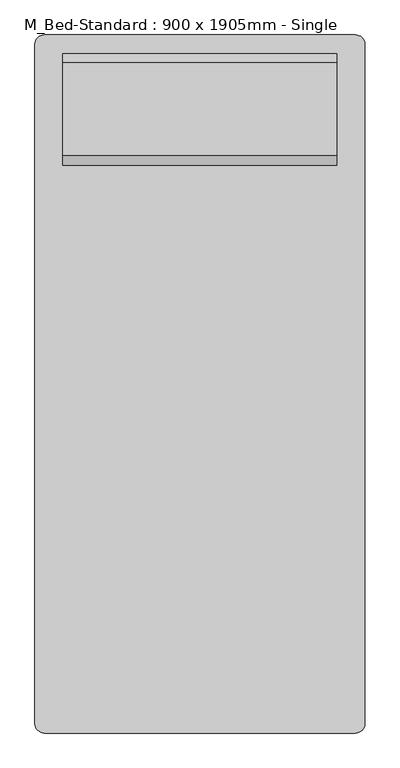
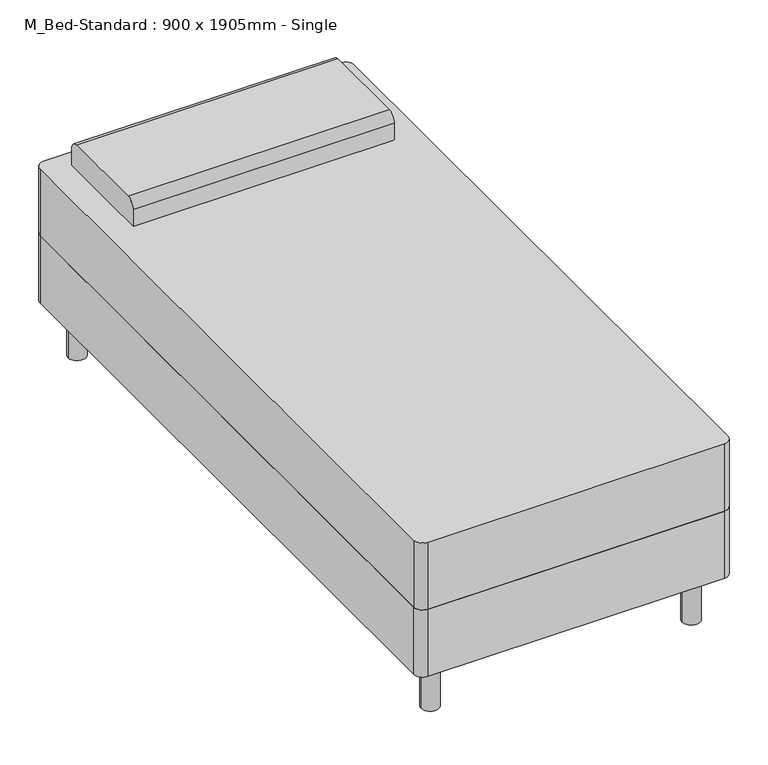
"""IFC4 building model written with IfcOpenShell, lengths in millimetres: furniture geometry, M_Bed-Standard : 900 x 1905mm - Single."""

from ifc_helpers import new_model, si_unit, point, frame, frame_2d, origin, origin_with_axes, place, context, project, spatial, polyline, circle_curve, trimmed, segment, composite_curve, outline, extrude, source, transform, mapped, element, save


def m_bed_standard_900_x_1905mm_single_884adb1f(model_context):
    return source(origin(), model_context, "Body", "SweptSolid", [
        extrude(outline(composite_curve([segment(polyline([(-178.5114754, -972.695082), (-178.5114754, 881.504918)]), True, "CONTINUOUS"), segment(trimmed(circle_curve(frame_2d((-153.1114754, 881.504918)), 25.4), [point((-178.5114754, 881.504918))], [point((-153.1114754, 906.904918))], False, "CARTESIAN"), True, "CONTINUOUS"), segment(polyline([(-153.1114754, 906.904918), (696.0885246, 906.904918)]), True, "CONTINUOUS"), segment(trimmed(circle_curve(frame_2d((696.0885246, 881.504918)), 25.4), [point((696.0885246, 906.904918))], [point((721.4885246, 881.504918))], False, "CARTESIAN"), True, "CONTINUOUS"), segment(polyline([(721.4885246, 881.504918), (721.4885246, -972.695082)]), True, "CONTINUOUS"), segment(trimmed(circle_curve(frame_2d((696.0885246, -972.695082)), 25.4), [point((721.4885246, -972.695082))], [point((696.0885246, -998.095082))], False, "CARTESIAN"), True, "CONTINUOUS"), segment(polyline([(696.0885246, -998.095082), (-153.1114754, -998.095082)]), True, "CONTINUOUS"), segment(trimmed(circle_curve(frame_2d((-153.1114754, -972.695082)), 25.4), [point((-153.1114754, -998.095082))], [point((-178.5114754, -972.695082))], False, "CARTESIAN"), True, "CONTINUOUS")], self_intersect=False)), frame((0.0, 0.0, 152.4), z_axis=(0.0, 0.0, 1.0), x_axis=(1.0, 0.0, 0.0)), (0.0, 0.0, 1.0), 203.2),
        extrude(outline(composite_curve([segment(polyline([(551.304918, 558.8), (551.304918, 609.6)]), True, "CONTINUOUS"), segment(trimmed(circle_curve(frame_2d((576.704918, 609.6)), 25.4), [point((551.304918, 609.6))], [point((576.704918, 635.0))], False, "CARTESIAN"), True, "CONTINUOUS"), segment(polyline([(576.704918, 635.0), (830.704918, 635.0)]), True, "CONTINUOUS"), segment(trimmed(circle_curve(frame_2d((830.704918, 609.6)), 25.4), [point((830.704918, 635.0))], [point((856.104918, 609.6))], False, "CARTESIAN"), True, "CONTINUOUS"), segment(polyline([(856.104918, 609.6), (856.104918, 558.8), (551.304918, 558.8)]), True, "CONTINUOUS")], self_intersect=False)), frame((-102.3114754, 0.0, 0.0), z_axis=(1.0, 0.0, 0.0), x_axis=(0.0, 1.0, 0.0)), (0.0, 0.0, 1.0), 747.6),
        extrude(outline(composite_curve([segment(trimmed(circle_curve(frame_2d((-102.3114754, 830.704918)), 25.4), [point((-127.7114754, 830.704918))], [point((-76.9114754, 830.704918))], False, "CARTESIAN"), True, "CONTINUOUS"), segment(trimmed(circle_curve(frame_2d((-102.3114754, 830.704918)), 25.4), [point((-76.9114754, 830.704918))], [point((-127.7114754, 830.704918))], False, "CARTESIAN"), True, "CONTINUOUS")], self_intersect=False)), origin_with_axes(), (0.0, 0.0, 1.0), 152.4),
        extrude(outline(composite_curve([segment(trimmed(circle_curve(frame_2d((645.2885246, 830.704918)), 25.4), [point((619.8885246, 830.704918))], [point((670.6885246, 830.704918))], False, "CARTESIAN"), True, "CONTINUOUS"), segment(trimmed(circle_curve(frame_2d((645.2885246, 830.704918)), 25.4), [point((670.6885246, 830.704918))], [point((619.8885246, 830.704918))], False, "CARTESIAN"), True, "CONTINUOUS")], self_intersect=False)), origin_with_axes(), (0.0, 0.0, 1.0), 152.4),
        extrude(outline(composite_curve([segment(trimmed(circle_curve(frame_2d((645.2885246, -921.895082)), 25.4), [point((619.8885246, -921.895082))], [point((670.6885246, -921.895082))], False, "CARTESIAN"), True, "CONTINUOUS"), segment(trimmed(circle_curve(frame_2d((645.2885246, -921.895082)), 25.4), [point((670.6885246, -921.895082))], [point((619.8885246, -921.895082))], False, "CARTESIAN"), True, "CONTINUOUS")], self_intersect=False)), origin_with_axes(), (0.0, 0.0, 1.0), 152.4),
        extrude(outline(composite_curve([segment(trimmed(circle_curve(frame_2d((-102.3114754, -921.895082)), 25.4), [point((-127.7114754, -921.895082))], [point((-76.9114754, -921.895082))], False, "CARTESIAN"), True, "CONTINUOUS"), segment(trimmed(circle_curve(frame_2d((-102.3114754, -921.895082)), 25.4), [point((-76.9114754, -921.895082))], [point((-127.7114754, -921.895082))], False, "CARTESIAN"), True, "CONTINUOUS")], self_intersect=False)), origin_with_axes(), (0.0, 0.0, 1.0), 152.4),
        extrude(outline(composite_curve([segment(polyline([(-153.1114754, 906.904918), (696.0885246, 906.904918)]), True, "CONTINUOUS"), segment(trimmed(circle_curve(frame_2d((696.0885246, 881.504918)), 25.4), [point((696.0885246, 906.904918))], [point((721.4885246, 881.504918))], False, "CARTESIAN"), True, "CONTINUOUS"), segment(polyline([(721.4885246, 881.504918), (721.4885246, -972.695082)]), True, "CONTINUOUS"), segment(trimmed(circle_curve(frame_2d((696.0885246, -972.695082)), 25.4), [point((721.4885246, -972.695082))], [point((696.0885246, -998.095082))], False, "CARTESIAN"), True, "CONTINUOUS"), segment(polyline([(696.0885246, -998.095082), (-153.1114754, -998.095082)]), True, "CONTINUOUS"), segment(trimmed(circle_curve(frame_2d((-153.1114754, -972.695082)), 25.4), [point((-153.1114754, -998.095082))], [point((-178.5114754, -972.695082))], False, "CARTESIAN"), True, "CONTINUOUS"), segment(polyline([(-178.5114754, -972.695082), (-178.5114754, 881.504918)]), True, "CONTINUOUS"), segment(trimmed(circle_curve(frame_2d((-153.1114754, 881.504918)), 25.4), [point((-178.5114754, 881.504918))], [point((-153.1114754, 906.904918))], False, "CARTESIAN"), True, "CONTINUOUS")], self_intersect=False)), frame((0.0, 0.0, 355.6), z_axis=(0.0, 0.0, 1.0), x_axis=(1.0, 0.0, 0.0)), (0.0, 0.0, 1.0), 203.2),
    ])


if __name__ == "__main__":
    model = new_model("IFC4")
    model_context = context("Model", 3, world=origin())
    ifc_project = project(units=[si_unit("LENGTHUNIT", "METRE", prefix="MILLI")], contexts=[model_context])
    site = spatial("IfcSite", under=ifc_project)
    building = spatial("IfcBuilding", under=site)
    placement = place(None, origin())
    m_bed_standard_900_x_1905mm_single_shape = m_bed_standard_900_x_1905mm_single_884adb1f(model_context)
    element("IfcFurniture", 1, ObjectType="M_Bed-Standard : 900 x 1905mm - Single", at=placement, inside=building, context=model_context, shape_type="MappedRepresentation", body=[
        mapped(m_bed_standard_900_x_1905mm_single_shape, transform((0.0, 0.0, 0.0), x_axis=(1.0, 0.0, 0.0), y_axis=(0.0, 1.0, 0.0), z_axis=(0.0, 0.0, 1.0))),
    ])
    save(model, "model.ifc")
